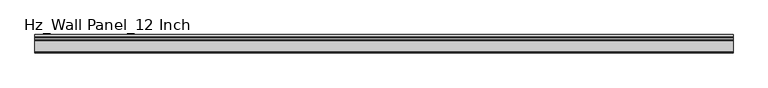
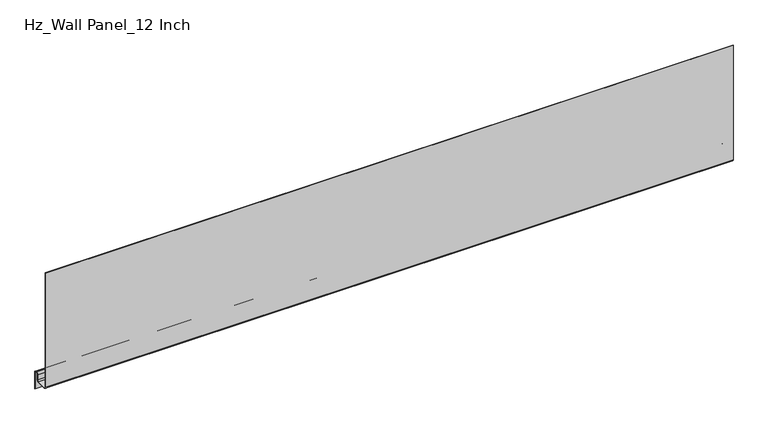
"""IFC4 building model written with IfcOpenShell, lengths in millimetres: plate geometry, Hz_Wall Panel_12 Inch."""

from ifc_helpers import new_model, si_unit, point, frame, frame_2d, origin, place, context, project, spatial, polyline, circle_curve, trimmed, segment, composite_curve, outline, extrude, source, transform, mapped, element, save


def hz_wall_panel_12_inch_a4d66b32(model_context):
    return source(origin(), model_context, "Body", "SweptSolid", [
        extrude(outline(composite_curve([segment(polyline([(-38.0, 3.29311), (-38.0, 258.065625), (-37.2, 258.065625), (-37.2, 3.29311)]), True, "CONTINUOUS"), segment(trimmed(circle_curve(frame_2d((-34.70689, 3.29311)), 2.49311), [point((-37.2, 3.29311))], [point((-34.70689, 0.8))], True, "CARTESIAN"), True, "CONTINUOUS"), segment(polyline([(-34.70689, 0.8), (-12.42347, 0.8)]), True, "CONTINUOUS"), segment(trimmed(circle_curve(frame_2d((-12.42347, 3.175)), 2.375), [point((-12.42347, 0.8))], [point((-10.04847, 3.175))], True, "CARTESIAN"), True, "CONTINUOUS"), segment(polyline([(-10.04847, 3.175), (-10.04847, 14.707235)]), True, "CONTINUOUS"), segment(trimmed(circle_curve(frame_2d((-6.07347, 14.707235)), 3.975), [point((-10.04847, 14.707235))], [point((-6.07347, 18.682235))], False, "CARTESIAN"), True, "CONTINUOUS"), segment(polyline([(-6.07347, 18.682235), (-3.975, 18.682235)]), True, "CONTINUOUS"), segment(trimmed(circle_curve(frame_2d((-3.975, 14.707235)), 3.975), [point((-3.975, 18.682235))], [point((0.0, 14.707235))], False, "CARTESIAN"), True, "CONTINUOUS"), segment(polyline([(0.0, 14.707235), (0.0, -22.480905), (-0.8, -22.480905), (-0.8, 14.707235)]), True, "CONTINUOUS"), segment(trimmed(circle_curve(frame_2d((-3.975, 14.707235)), 3.175), [point((-0.8, 14.707235))], [point((-3.975, 17.882235))], True, "CARTESIAN"), True, "CONTINUOUS"), segment(polyline([(-3.975, 17.882235), (-6.07347, 17.882235)]), True, "CONTINUOUS"), segment(trimmed(circle_curve(frame_2d((-6.07347, 14.707235)), 3.175), [point((-6.07347, 17.882235))], [point((-9.24847, 14.707235))], True, "CARTESIAN"), True, "CONTINUOUS"), segment(polyline([(-9.24847, 14.707235), (-9.24847, 3.175)]), True, "CONTINUOUS"), segment(trimmed(circle_curve(frame_2d((-12.42347, 3.175)), 3.175), [point((-9.24847, 3.175))], [point((-12.42347, 0.0))], False, "CARTESIAN"), True, "CONTINUOUS"), segment(polyline([(-12.42347, 0.0), (-34.70689, 0.0)]), True, "CONTINUOUS"), segment(trimmed(circle_curve(frame_2d((-34.70689, 3.29311)), 3.29311), [point((-34.70689, 0.0))], [point((-38.0, 3.29311))], False, "CARTESIAN"), True, "CONTINUOUS")], self_intersect=False)), frame((-723.9042608, 0.0, 0.0), z_axis=(1.0, 0.0, 0.0), x_axis=(0.0, 1.0, 0.0)), (0.0, 0.0, 1.0), 1447.8085217),
    ])


if __name__ == "__main__":
    model = new_model("IFC4")
    model_context = context("Model", 3, world=origin())
    ifc_project = project(units=[si_unit("LENGTHUNIT", "METRE", prefix="MILLI")], contexts=[model_context])
    site = spatial("IfcSite", under=ifc_project)
    building = spatial("IfcBuilding", under=site)
    placement = place(None, origin())
    hz_wall_panel_12_inch_shape = hz_wall_panel_12_inch_a4d66b32(model_context)
    element("IfcPlate", 1, ObjectType="Hz_Wall Panel_12 Inch", at=placement, inside=building, context=model_context, shape_type="MappedRepresentation", body=[
        mapped(hz_wall_panel_12_inch_shape, transform((0.0, 0.0, 0.0), x_axis=(1.0, 0.0, 0.0), y_axis=(0.0, 1.0, 0.0), z_axis=(0.0, 0.0, 1.0))),
    ])
    save(model, "model.ifc")
